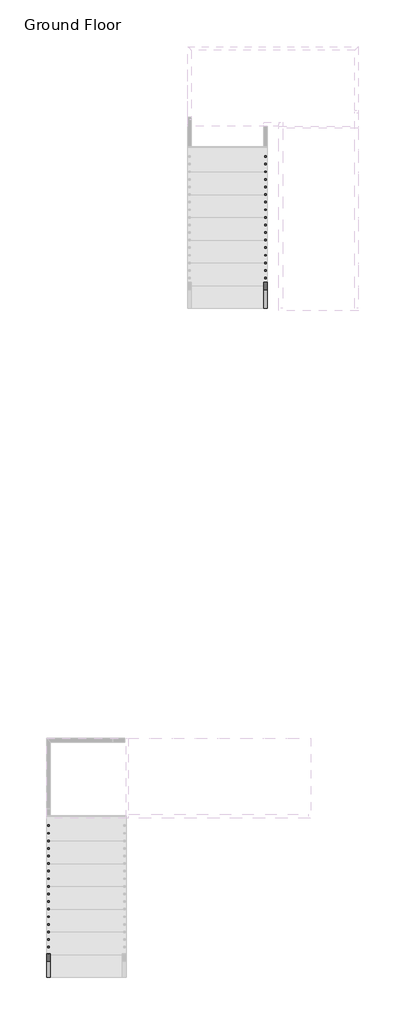
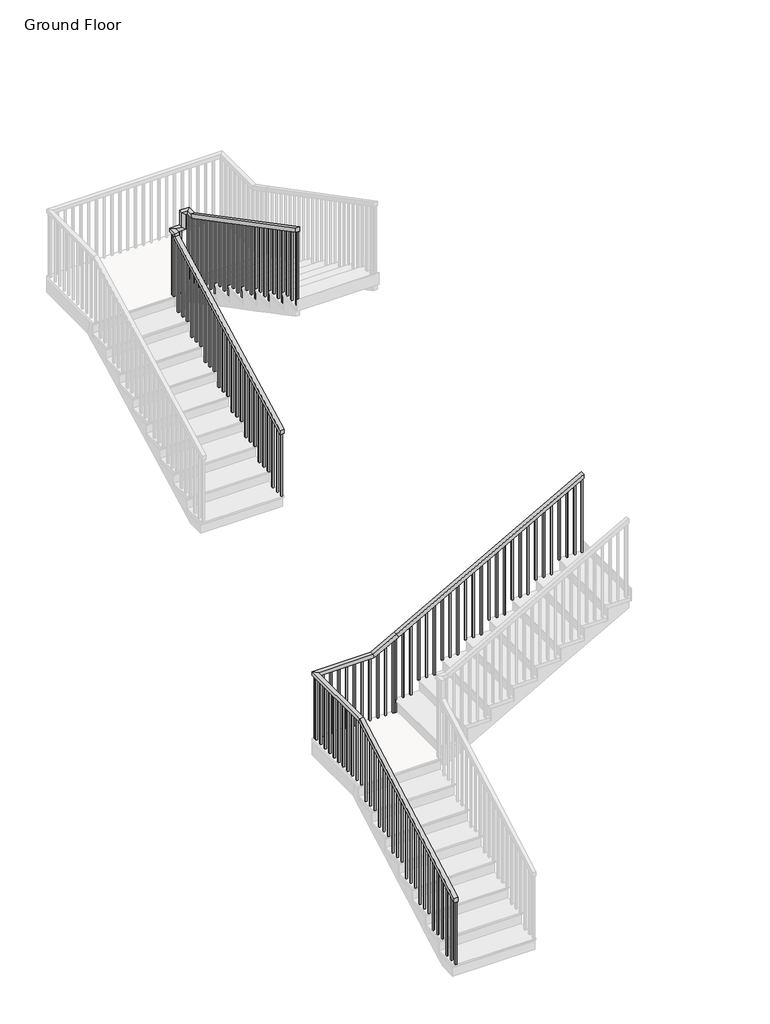
# One storey, part 3 of 10: 2 railings.
"""IFC4 building model written with IfcOpenShell, lengths in millimetres."""

import ifcopenshell
import ifcopenshell.guid

model = None  # the IFC model being written
_history = None  # IfcOwnerHistory: only IFC2X3 demands one
_inside = {}  # id of a spatial element -> (the spatial element, [elements in it])
_under = {}  # id of a project, library or spatial element -> (it, [spatial elements below it])
_declared = {}  # id of a project -> (the project, [libraries it declares])
_typed = {}  # id of a type object -> (the type object, [elements of that type])
_made_of = {}  # id of a material, layer set ... -> (it, [elements and type objects made of it])


def new_model(schema):
    """Start an empty IFC model of exactly this schema.

    Asked for "IFC4X3", IfcOpenShell would pick the latest addendum, in which some entities
    have other attributes; the version numbers below select the first issue.
    IFC2X3 requires an IfcOwnerHistory on every rooted entity: one is made here for all.
    """
    global model, _history
    if schema == "IFC4X3":
        model = ifcopenshell.file(schema_version=(4, 3, 0, 0))
    else:
        model = ifcopenshell.file(schema=schema)
    _inside.clear()
    _under.clear()
    _declared.clear()
    _typed.clear()
    _made_of.clear()
    _history = None
    if model.schema == "IFC2X3":
        org = make("IfcOrganization", Name="unknown")
        user = make(
            "IfcPersonAndOrganization",
            ThePerson=make("IfcPerson", FamilyName="unknown"),
            TheOrganization=org,
        )
        app = make(
            "IfcApplication",
            ApplicationDeveloper=org,
            Version="unknown",
            ApplicationFullName="unknown",
            ApplicationIdentifier="unknown",
        )
        _history = make(
            "IfcOwnerHistory",
            OwningUser=user,
            OwningApplication=app,
            ChangeAction="ADDED",
            CreationDate=0,
        )
    return model


def make(cls, **values):
    """One entity of the class cls with the attributes given. An attribute that is None is left unset."""
    return model.create_entity(
        cls, **{name: value for name, value in values.items() if value is not None}
    )


def rooted(cls, **values):
    """An entity with a GlobalId (a new one), such as an element, a storey or a relation."""
    return make(cls, GlobalId=ifcopenshell.guid.new(), OwnerHistory=_history, **values)


def si_unit(unit_type, name, prefix=None):
    """IfcSIUnit, for example si_unit("LENGTHUNIT", "METRE", prefix="MILLI")."""
    return make("IfcSIUnit", UnitType=unit_type, Prefix=prefix, Name=name)


def assignment(units):
    """IfcUnitAssignment: the units of a project."""
    return None if units is None else make("IfcUnitAssignment", Units=units)


def point(xyz):
    """IfcCartesianPoint."""
    return None if xyz is None else make("IfcCartesianPoint", Coordinates=xyz)


def direction(xyz):
    """IfcDirection."""
    return None if xyz is None else make("IfcDirection", DirectionRatios=xyz)


def frame(location, z_axis=None, x_axis=None):
    """IfcAxis2Placement3D, a coordinate frame: its origin and axes. An axis left out is left unset."""
    return make(
        "IfcAxis2Placement3D",
        Location=point(location),
        Axis=direction(z_axis),
        RefDirection=direction(x_axis),
    )


def origin():
    """The frame at (0, 0, 0) with its axes left unset."""
    return frame((0.0, 0.0, 0.0))


def place(relative_to, where):
    """IfcLocalPlacement: puts the frame where relative to a parent placement (None: the world)."""
    return make(
        "IfcLocalPlacement", PlacementRelTo=relative_to, RelativePlacement=where
    )


def context(
    kind, dimensions, precision=None, world=None, true_north=None, identifier=None
):
    """IfcGeometricRepresentationContext, for example the 3D "Model" context."""
    return make(
        "IfcGeometricRepresentationContext",
        ContextIdentifier=identifier,
        ContextType=kind,
        CoordinateSpaceDimension=dimensions,
        Precision=precision,
        WorldCoordinateSystem=world,
        TrueNorth=true_north,
    )


def project(units=None, contexts=None):
    """IfcProject with its units and contexts."""
    return rooted(
        "IfcProject",
        Name="project",
        RepresentationContexts=contexts,
        UnitsInContext=assignment(units),
    )


def spatial(cls, under=None, at=None, **own):
    """A site, building, storey or space (cls), placed at a placement, below another one or the project."""
    s = rooted(cls, ObjectPlacement=at, **own)
    if under is not None:
        _under.setdefault(under.id(), (under, []))[1].append(s)
    return s


def polyline(points):
    """IfcPolyline through the points."""
    return make("IfcPolyline", Points=[point(p) for p in points])


def outline(outer, holes=None, kind="AREA"):
    """IfcArbitraryClosedProfileDef: a profile drawn as a closed curve; with holes, ...WithVoids."""
    if holes is None:
        return make("IfcArbitraryClosedProfileDef", ProfileType=kind, OuterCurve=outer)
    return make(
        "IfcArbitraryProfileDefWithVoids",
        ProfileType=kind,
        OuterCurve=outer,
        InnerCurves=holes,
    )


def extrude(swept, where, along, depth):
    """IfcExtrudedAreaSolid: the profile swept, set in the frame where, extruded along a direction by depth."""
    return make(
        "IfcExtrudedAreaSolid",
        SweptArea=swept,
        Position=where,
        ExtrudedDirection=direction(along),
        Depth=depth,
    )


def faces_of(points, faces, orient=None, outer=None):
    """IfcFace entities. A face is a list of loops; a loop is a list of indices into points, from 0.

    orient and outer hold one flag for each loop. By default every Orientation is true, the
    first loop of a face is its IfcFaceOuterBound and the others are IfcFaceBound.
    """
    made = []
    for i, loops in enumerate(faces):
        bounds = []
        for j, loop in enumerate(loops):
            is_outer = j == 0 if outer is None else outer[i][j]
            bounds.append(
                make(
                    "IfcFaceOuterBound" if is_outer else "IfcFaceBound",
                    Bound=make("IfcPolyLoop", Polygon=[points[k] for k in loop]),
                    Orientation=True if orient is None else orient[i][j],
                )
            )
        made.append(make("IfcFace", Bounds=bounds))
    return made


def faceted_brep(points, faces, orient=None, outer=None, voids=None):
    """IfcFacetedBrep: a solid bounded by flat faces; with voids (closed shells), ...WithVoids."""
    shared = [point(p) for p in points]
    hull = make("IfcClosedShell", CfsFaces=faces_of(shared, faces, orient, outer))
    if voids is None:
        return make("IfcFacetedBrep", Outer=hull)
    return make(
        "IfcFacetedBrepWithVoids",
        Outer=hull,
        Voids=[
            make(cls, CfsFaces=faces_of(shared, fs, o, b)) for cls, fs, o, b in voids
        ],
    )


def shape(context_of_items, identifier, shape_type, items):
    """IfcShapeRepresentation: the items that make up one representation, for example the "Body"."""
    return make(
        "IfcShapeRepresentation",
        ContextOfItems=context_of_items,
        RepresentationIdentifier=identifier,
        RepresentationType=shape_type,
        Items=items,
    )


def made_of(thing, what):
    """Note that an element or type object is made of a material, layer set ...; save() writes the relation."""
    if what is not None:
        _made_of.setdefault(what.id(), (what, []))[1].append(thing)
    return thing


def element(
    cls,
    number,
    at=None,
    inside=None,
    cuts=None,
    type_object=None,
    material=None,
    context=None,
    identifier="Body",
    shape_type=None,
    held_by="IfcProductDefinitionShape",
    body=None,
    shapes=None,
    **own,
):
    """One element of the class cls, such as IfcWall. Its Tag is "e" and its number.

    at: its placement. inside: the storey or other place that contains it. cuts: it is an
    opening in that element (IfcRelVoidsElement). A single representation is given by context,
    identifier, shape_type and body (its items); several are given by shapes. held_by: the class
    of the entity that holds the representations. save() writes the other relations.
    """
    e = rooted(cls, Tag="e%d" % number, ObjectPlacement=at, **own)
    if body is not None:
        shapes = [shape(context, identifier, shape_type, body)]
    if shapes is not None:
        e.Representation = make(held_by, Representations=shapes)
    if inside is not None:
        _inside.setdefault(inside.id(), (inside, []))[1].append(e)
    if cuts is not None:
        rooted(
            "IfcRelVoidsElement", RelatingBuildingElement=cuts, RelatedOpeningElement=e
        )
    if type_object is not None:
        _typed.setdefault(type_object.id(), (type_object, []))[1].append(e)
    return made_of(e, material)


def aggregate(whole, parts):
    """IfcRelAggregates: a whole, such as a stair, and the parts it consists of."""
    return rooted("IfcRelAggregates", RelatingObject=whole, RelatedObjects=parts)


def save(model, path):
    """Write the relations noted so far, then the file.

    IfcRelAggregates (storeys below a building ...), IfcRelContainedInSpatialStructure (elements
    in a storey), IfcRelDefinesByType, IfcRelAssociatesMaterial and IfcRelDeclares: one each for
    every whole, place, type object, material and project.
    """
    for whole, parts in _under.values():
        aggregate(whole, parts)
    for where, things in _inside.values():
        rooted(
            "IfcRelContainedInSpatialStructure",
            RelatedElements=things,
            RelatingStructure=where,
        )
    for kind, things in _typed.values():
        rooted("IfcRelDefinesByType", RelatedObjects=things, RelatingType=kind)
    for what, things in _made_of.values():
        rooted("IfcRelAssociatesMaterial", RelatedObjects=things, RelatingMaterial=what)
    for by, libraries in _declared.values():
        rooted("IfcRelDeclares", RelatingContext=by, RelatedDefinitions=libraries)
    model.write(path)


model = new_model("IFC4")

# Units and contexts
model_context = context("Model", 3, world=origin())
ifc_project = project(units=[si_unit("LENGTHUNIT", "METRE", prefix="MILLI")], contexts=[model_context])

# Site, building, storey
site = spatial("IfcSite", under=ifc_project)
building = spatial("IfcBuilding", under=site)
storey = spatial("IfcBuildingStorey", under=building, Name="Ground Floor", Elevation=0.0)

# Railings
placement = place(None, origin())
element("IfcRailing", 1, ObjectType="Handrail - Rectangular", at=placement, inside=storey, context=model_context, shape_type="SolidModel", body=[
    faceted_brep([(28488.8368532, -16252.694512, 1083.2352941), (28488.8368532, -16252.694512, 1025.162448), (28539.6368532, -16252.694512, 1025.162448), (28539.6368532, -16252.694512, 1083.2352941), (28488.8368532, -14119.094512, 2265.0823529), (28488.8368532, -14105.964772, 2214.2823529), (28539.6368532, -14105.964772, 2214.2823529), (28539.6368532, -14119.094512, 2265.0823529), (28488.8368532, -13052.294512, 2265.0823529), (28488.8368532, -13052.294512, 2214.2823529), (28539.6368532, -13103.094512, 2214.2823529), (28539.6368532, -13103.094512, 2265.0823529), (29250.8368532, -13052.294512, 2265.0823529), (29263.9665931, -13052.294512, 2214.2823529), (29263.9665931, -13103.094512, 2214.2823529), (29250.8368532, -13103.094512, 2265.0823529), (29555.6368532, -13052.294512, 2433.9176471), (29580.252009, -13052.294512, 2389.4796666), (29580.252009, -13103.094512, 2389.4796666), (29555.6368532, -13103.094512, 2433.9176471), (31994.0368532, -13052.294512, 3784.6), (31994.0368532, -13103.094512, 3784.6), (31994.0368532, -13103.094512, 3726.5271539), (31994.0368532, -13052.294512, 3726.5271539)], [[[0, 1, 2, 3]], [[1, 0, 4, 5]], [[2, 1, 5, 6]], [[3, 2, 6, 7]], [[0, 3, 7, 4]], [[5, 4, 8, 9]], [[6, 5, 9, 10]], [[7, 6, 10, 11]], [[4, 7, 11, 8]], [[9, 8, 12, 13]], [[10, 9, 13, 14]], [[11, 10, 14, 15]], [[8, 11, 15, 12]], [[13, 12, 16, 17]], [[14, 13, 17, 18]], [[15, 14, 18, 19]], [[12, 15, 19, 16]], [[20, 21, 22, 23]], [[17, 16, 20, 23]], [[18, 17, 23, 22]], [[19, 18, 22, 21]], [[16, 19, 21, 20]]]),
    extrude(outline(polyline([(3664.9726195, 31882.9118532), (2701.3647059, 31882.9118532), (2701.3647059, 31901.9618532), (3675.5248254, 31901.9618532), (3664.9726195, 31882.9118532)])), frame((0.0, -13087.219512, 0.0), z_axis=(0.0, 1.0, 0.0), x_axis=(0.0, 0.0, 1.0)), (0.0, 0.0, 1.0), 19.05),
    extrude(outline(polyline([(3608.6941882, 31781.3118532), (2701.3647059, 31781.3118532), (2701.3647059, 31800.3618532), (3619.2463941, 31800.3618532), (3608.6941882, 31781.3118532)])), frame((0.0, -13087.219512, 0.0), z_axis=(0.0, 1.0, 0.0), x_axis=(0.0, 0.0, 1.0)), (0.0, 0.0, 1.0), 19.05),
    extrude(outline(polyline([(3552.4157568, 31679.7118532), (2701.3647059, 31679.7118532), (2701.3647059, 31698.7618532), (3562.9679627, 31698.7618532), (3552.4157568, 31679.7118532)])), frame((0.0, -13087.219512, 0.0), z_axis=(0.0, 1.0, 0.0), x_axis=(0.0, 0.0, 1.0)), (0.0, 0.0, 1.0), 19.05),
    extrude(outline(polyline([(3496.1373254, 31578.1118532), (2532.5294118, 31578.1118532), (2532.5294118, 31597.1618532), (3506.6895313, 31597.1618532), (3496.1373254, 31578.1118532)])), frame((0.0, -13087.219512, 0.0), z_axis=(0.0, 1.0, 0.0), x_axis=(0.0, 0.0, 1.0)), (0.0, 0.0, 1.0), 19.05),
    extrude(outline(polyline([(3439.8588941, 31476.5118532), (2532.5294118, 31476.5118532), (2532.5294118, 31495.5618532), (3450.4110999, 31495.5618532), (3439.8588941, 31476.5118532)])), frame((0.0, -13087.219512, 0.0), z_axis=(0.0, 1.0, 0.0), x_axis=(0.0, 0.0, 1.0)), (0.0, 0.0, 1.0), 19.05),
    extrude(outline(polyline([(3383.5804627, 31374.9118532), (2532.5294118, 31374.9118532), (2532.5294118, 31393.9618532), (3394.1326686, 31393.9618532), (3383.5804627, 31374.9118532)])), frame((0.0, -13087.219512, 0.0), z_axis=(0.0, 1.0, 0.0), x_axis=(0.0, 0.0, 1.0)), (0.0, 0.0, 1.0), 19.05),
    extrude(outline(polyline([(3327.3020313, 31273.3118532), (2363.6941176, 31273.3118532), (2363.6941176, 31292.3618532), (3337.8542372, 31292.3618532), (3327.3020313, 31273.3118532)])), frame((0.0, -13087.219512, 0.0), z_axis=(0.0, 1.0, 0.0), x_axis=(0.0, 0.0, 1.0)), (0.0, 0.0, 1.0), 19.05),
    extrude(outline(polyline([(3271.0235999, 31171.7118532), (2363.6941176, 31171.7118532), (2363.6941176, 31190.7618532), (3281.5758058, 31190.7618532), (3271.0235999, 31171.7118532)])), frame((0.0, -13087.219512, 0.0), z_axis=(0.0, 1.0, 0.0), x_axis=(0.0, 0.0, 1.0)), (0.0, 0.0, 1.0), 19.05),
    extrude(outline(polyline([(3214.7451686, 31070.1118532), (2363.6941176, 31070.1118532), (2363.6941176, 31089.1618532), (3225.2973744, 31089.1618532), (3214.7451686, 31070.1118532)])), frame((0.0, -13087.219512, 0.0), z_axis=(0.0, 1.0, 0.0), x_axis=(0.0, 0.0, 1.0)), (0.0, 0.0, 1.0), 19.05),
    extrude(outline(polyline([(3158.4667372, 30968.5118532), (2194.8588235, 30968.5118532), (2194.8588235, 30987.5618532), (3169.0189431, 30987.5618532), (3158.4667372, 30968.5118532)])), frame((0.0, -13087.219512, 0.0), z_axis=(0.0, 1.0, 0.0), x_axis=(0.0, 0.0, 1.0)), (0.0, 0.0, 1.0), 19.05),
    extrude(outline(polyline([(3102.1883058, 30866.9118532), (2194.8588235, 30866.9118532), (2194.8588235, 30885.9618532), (3112.7405117, 30885.9618532), (3102.1883058, 30866.9118532)])), frame((0.0, -13087.219512, 0.0), z_axis=(0.0, 1.0, 0.0), x_axis=(0.0, 0.0, 1.0)), (0.0, 0.0, 1.0), 19.05),
    extrude(outline(polyline([(3045.9098744, 30765.3118532), (2194.8588235, 30765.3118532), (2194.8588235, 30784.3618532), (3056.4620803, 30784.3618532), (3045.9098744, 30765.3118532)])), frame((0.0, -13087.219512, 0.0), z_axis=(0.0, 1.0, 0.0), x_axis=(0.0, 0.0, 1.0)), (0.0, 0.0, 1.0), 19.05),
    extrude(outline(polyline([(2989.6314431, 30663.7118532), (2026.0235294, 30663.7118532), (2026.0235294, 30682.7618532), (3000.183649, 30682.7618532), (2989.6314431, 30663.7118532)])), frame((0.0, -13087.219512, 0.0), z_axis=(0.0, 1.0, 0.0), x_axis=(0.0, 0.0, 1.0)), (0.0, 0.0, 1.0), 19.05),
    extrude(outline(polyline([(2933.3530117, 30562.1118532), (2026.0235294, 30562.1118532), (2026.0235294, 30581.1618532), (2943.9052176, 30581.1618532), (2933.3530117, 30562.1118532)])), frame((0.0, -13087.219512, 0.0), z_axis=(0.0, 1.0, 0.0), x_axis=(0.0, 0.0, 1.0)), (0.0, 0.0, 1.0), 19.05),
    extrude(outline(polyline([(2877.0745803, 30460.5118532), (2026.0235294, 30460.5118532), (2026.0235294, 30479.5618532), (2887.6267862, 30479.5618532), (2877.0745803, 30460.5118532)])), frame((0.0, -13087.219512, 0.0), z_axis=(0.0, 1.0, 0.0), x_axis=(0.0, 0.0, 1.0)), (0.0, 0.0, 1.0), 19.05),
    extrude(outline(polyline([(2820.796149, 30358.9118532), (1857.1882353, 30358.9118532), (1857.1882353, 30377.9618532), (2831.3483548, 30377.9618532), (2820.796149, 30358.9118532)])), frame((0.0, -13087.219512, 0.0), z_axis=(0.0, 1.0, 0.0), x_axis=(0.0, 0.0, 1.0)), (0.0, 0.0, 1.0), 19.05),
    extrude(outline(polyline([(2764.5177176, 30257.3118532), (1857.1882353, 30257.3118532), (1857.1882353, 30276.3618532), (2775.0699235, 30276.3618532), (2764.5177176, 30257.3118532)])), frame((0.0, -13087.219512, 0.0), z_axis=(0.0, 1.0, 0.0), x_axis=(0.0, 0.0, 1.0)), (0.0, 0.0, 1.0), 19.05),
    extrude(outline(polyline([(2708.2392862, 30155.7118532), (1857.1882353, 30155.7118532), (1857.1882353, 30174.7618532), (2718.7914921, 30174.7618532), (2708.2392862, 30155.7118532)])), frame((0.0, -13087.219512, 0.0), z_axis=(0.0, 1.0, 0.0), x_axis=(0.0, 0.0, 1.0)), (0.0, 0.0, 1.0), 19.05),
    extrude(outline(polyline([(2651.9608548, 30054.1118532), (1688.3529412, 30054.1118532), (1688.3529412, 30073.1618532), (2662.5130607, 30073.1618532), (2651.9608548, 30054.1118532)])), frame((0.0, -13087.219512, 0.0), z_axis=(0.0, 1.0, 0.0), x_axis=(0.0, 0.0, 1.0)), (0.0, 0.0, 1.0), 19.05),
    extrude(outline(polyline([(2595.6824235, 29952.5118532), (1688.3529412, 29952.5118532), (1688.3529412, 29971.5618532), (2606.2346293, 29971.5618532), (2595.6824235, 29952.5118532)])), frame((0.0, -13087.219512, 0.0), z_axis=(0.0, 1.0, 0.0), x_axis=(0.0, 0.0, 1.0)), (0.0, 0.0, 1.0), 19.05),
    extrude(outline(polyline([(2539.4039921, 29850.9118532), (1688.3529412, 29850.9118532), (1688.3529412, 29869.9618532), (2549.956198, 29869.9618532), (2539.4039921, 29850.9118532)])), frame((0.0, -13087.219512, 0.0), z_axis=(0.0, 1.0, 0.0), x_axis=(0.0, 0.0, 1.0)), (0.0, 0.0, 1.0), 19.05),
    extrude(outline(polyline([(2483.1255607, 29749.3118532), (1519.5176471, 29749.3118532), (1519.5176471, 29768.3618532), (2493.6777666, 29768.3618532), (2483.1255607, 29749.3118532)])), frame((0.0, -13087.219512, 0.0), z_axis=(0.0, 1.0, 0.0), x_axis=(0.0, 0.0, 1.0)), (0.0, 0.0, 1.0), 19.05),
    extrude(outline(polyline([(2426.8471293, 29647.7118532), (1519.5176471, 29647.7118532), (1519.5176471, 29666.7618532), (2437.3993352, 29666.7618532), (2426.8471293, 29647.7118532)])), frame((0.0, -13087.219512, 0.0), z_axis=(0.0, 1.0, 0.0), x_axis=(0.0, 0.0, 1.0)), (0.0, 0.0, 1.0), 19.05),
    extrude(outline(polyline([(2356.4990901, 29520.7118532), (1350.6823529, 29520.7118532), (1350.6823529, 29539.7618532), (2367.051296, 29539.7618532), (2356.4990901, 29520.7118532)])), frame((0.0, -13087.219512, 0.0), z_axis=(0.0, 1.0, 0.0), x_axis=(0.0, 0.0, 1.0)), (0.0, 0.0, 1.0), 19.05),
    extrude(outline(polyline([(2300.2206588, 29419.1118532), (1350.6823529, 29419.1118532), (1350.6823529, 29438.1618532), (2310.7728646, 29438.1618532), (2300.2206588, 29419.1118532)])), frame((0.0, -13087.219512, 0.0), z_axis=(0.0, 1.0, 0.0), x_axis=(0.0, 0.0, 1.0)), (0.0, 0.0, 1.0), 19.05),
    extrude(outline(polyline([(2243.9422274, 29317.5118532), (1350.6823529, 29317.5118532), (1350.6823529, 29336.5618532), (2254.4944333, 29336.5618532), (2243.9422274, 29317.5118532)])), frame((0.0, -13087.219512, 0.0), z_axis=(0.0, 1.0, 0.0), x_axis=(0.0, 0.0, 1.0)), (0.0, 0.0, 1.0), 19.05),
    extrude(outline(polyline([(29215.9118532, -13068.169512), (29234.9618532, -13068.169512), (29234.9618532, -13087.219512), (29215.9118532, -13087.219512), (29215.9118532, -13068.169512)])), frame((0.0, 0.0, 1350.6823529), z_axis=(0.0, 0.0, 1.0), x_axis=(1.0, 0.0, 0.0)), (0.0, 0.0, 1.0), 863.6),
    extrude(outline(polyline([(29114.3118532, -13068.169512), (29133.3618532, -13068.169512), (29133.3618532, -13087.219512), (29114.3118532, -13087.219512), (29114.3118532, -13068.169512)])), frame((0.0, 0.0, 1350.6823529), z_axis=(0.0, 0.0, 1.0), x_axis=(1.0, 0.0, 0.0)), (0.0, 0.0, 1.0), 863.6),
    extrude(outline(polyline([(29012.7118532, -13068.169512), (29031.7618532, -13068.169512), (29031.7618532, -13087.219512), (29012.7118532, -13087.219512), (29012.7118532, -13068.169512)])), frame((0.0, 0.0, 1350.6823529), z_axis=(0.0, 0.0, 1.0), x_axis=(1.0, 0.0, 0.0)), (0.0, 0.0, 1.0), 863.6),
    extrude(outline(polyline([(28911.1118532, -13068.169512), (28930.1618532, -13068.169512), (28930.1618532, -13087.219512), (28911.1118532, -13087.219512), (28911.1118532, -13068.169512)])), frame((0.0, 0.0, 1350.6823529), z_axis=(0.0, 0.0, 1.0), x_axis=(1.0, 0.0, 0.0)), (0.0, 0.0, 1.0), 863.6),
    extrude(outline(polyline([(28809.5118532, -13068.169512), (28828.5618532, -13068.169512), (28828.5618532, -13087.219512), (28809.5118532, -13087.219512), (28809.5118532, -13068.169512)])), frame((0.0, 0.0, 1350.6823529), z_axis=(0.0, 0.0, 1.0), x_axis=(1.0, 0.0, 0.0)), (0.0, 0.0, 1.0), 863.6),
    extrude(outline(polyline([(28707.9118532, -13068.169512), (28726.9618532, -13068.169512), (28726.9618532, -13087.219512), (28707.9118532, -13087.219512), (28707.9118532, -13068.169512)])), frame((0.0, 0.0, 1350.6823529), z_axis=(0.0, 0.0, 1.0), x_axis=(1.0, 0.0, 0.0)), (0.0, 0.0, 1.0), 863.6),
    extrude(outline(polyline([(28606.3118532, -13068.169512), (28625.3618532, -13068.169512), (28625.3618532, -13087.219512), (28606.3118532, -13087.219512), (28606.3118532, -13068.169512)])), frame((0.0, 0.0, 1350.6823529), z_axis=(0.0, 0.0, 1.0), x_axis=(1.0, 0.0, 0.0)), (0.0, 0.0, 1.0), 863.6),
    extrude(outline(polyline([(28504.7118532, -13112.619512), (28504.7118532, -13093.569512), (28523.7618532, -13093.569512), (28523.7618532, -13112.619512), (28504.7118532, -13112.619512)])), frame((0.0, 0.0, 1350.6823529), z_axis=(0.0, 0.0, 1.0), x_axis=(1.0, 0.0, 0.0)), (0.0, 0.0, 1.0), 863.6),
    extrude(outline(polyline([(28504.7118532, -13214.219512), (28504.7118532, -13195.169512), (28523.7618532, -13195.169512), (28523.7618532, -13214.219512), (28504.7118532, -13214.219512)])), frame((0.0, 0.0, 1350.6823529), z_axis=(0.0, 0.0, 1.0), x_axis=(1.0, 0.0, 0.0)), (0.0, 0.0, 1.0), 863.6),
    extrude(outline(polyline([(28504.7118532, -13315.819512), (28504.7118532, -13296.769512), (28523.7618532, -13296.769512), (28523.7618532, -13315.819512), (28504.7118532, -13315.819512)])), frame((0.0, 0.0, 1350.6823529), z_axis=(0.0, 0.0, 1.0), x_axis=(1.0, 0.0, 0.0)), (0.0, 0.0, 1.0), 863.6),
    extrude(outline(polyline([(28504.7118532, -13417.419512), (28504.7118532, -13398.369512), (28523.7618532, -13398.369512), (28523.7618532, -13417.419512), (28504.7118532, -13417.419512)])), frame((0.0, 0.0, 1350.6823529), z_axis=(0.0, 0.0, 1.0), x_axis=(1.0, 0.0, 0.0)), (0.0, 0.0, 1.0), 863.6),
    extrude(outline(polyline([(28504.7118532, -13519.019512), (28504.7118532, -13499.969512), (28523.7618532, -13499.969512), (28523.7618532, -13519.019512), (28504.7118532, -13519.019512)])), frame((0.0, 0.0, 1350.6823529), z_axis=(0.0, 0.0, 1.0), x_axis=(1.0, 0.0, 0.0)), (0.0, 0.0, 1.0), 863.6),
    extrude(outline(polyline([(28504.7118532, -13620.619512), (28504.7118532, -13601.569512), (28523.7618532, -13601.569512), (28523.7618532, -13620.619512), (28504.7118532, -13620.619512)])), frame((0.0, 0.0, 1350.6823529), z_axis=(0.0, 0.0, 1.0), x_axis=(1.0, 0.0, 0.0)), (0.0, 0.0, 1.0), 863.6),
    extrude(outline(polyline([(28504.7118532, -13722.219512), (28504.7118532, -13703.169512), (28523.7618532, -13703.169512), (28523.7618532, -13722.219512), (28504.7118532, -13722.219512)])), frame((0.0, 0.0, 1350.6823529), z_axis=(0.0, 0.0, 1.0), x_axis=(1.0, 0.0, 0.0)), (0.0, 0.0, 1.0), 863.6),
    extrude(outline(polyline([(28504.7118532, -13823.819512), (28504.7118532, -13804.769512), (28523.7618532, -13804.769512), (28523.7618532, -13823.819512), (28504.7118532, -13823.819512)])), frame((0.0, 0.0, 1350.6823529), z_axis=(0.0, 0.0, 1.0), x_axis=(1.0, 0.0, 0.0)), (0.0, 0.0, 1.0), 863.6),
    extrude(outline(polyline([(28504.7118532, -13925.419512), (28504.7118532, -13906.369512), (28523.7618532, -13906.369512), (28523.7618532, -13925.419512), (28504.7118532, -13925.419512)])), frame((0.0, 0.0, 1350.6823529), z_axis=(0.0, 0.0, 1.0), x_axis=(1.0, 0.0, 0.0)), (0.0, 0.0, 1.0), 863.6),
    extrude(outline(polyline([(28504.7118532, -14027.019512), (28504.7118532, -14007.969512), (28523.7618532, -14007.969512), (28523.7618532, -14027.019512), (28504.7118532, -14027.019512)])), frame((0.0, 0.0, 1350.6823529), z_axis=(0.0, 0.0, 1.0), x_axis=(1.0, 0.0, 0.0)), (0.0, 0.0, 1.0), 863.6),
    extrude(outline(polyline([(-14211.169512, 2156.0071784), (-14211.169512, 1181.8470588), (-14230.219512, 1181.8470588), (-14230.219512, 2145.4549725), (-14211.169512, 2156.0071784)])), frame((28504.7118532, 0.0, 0.0), z_axis=(1.0, 0.0, 0.0), x_axis=(0.0, 1.0, 0.0)), (0.0, 0.0, 1.0), 19.05),
    extrude(outline(polyline([(-14312.769512, 2099.728747), (-14312.769512, 1181.8470588), (-14331.819512, 1181.8470588), (-14331.819512, 2089.1765411), (-14312.769512, 2099.728747)])), frame((28504.7118532, 0.0, 0.0), z_axis=(1.0, 0.0, 0.0), x_axis=(0.0, 1.0, 0.0)), (0.0, 0.0, 1.0), 19.05),
    extrude(outline(polyline([(-14414.369512, 2043.4503156), (-14414.369512, 1181.8470588), (-14433.419512, 1181.8470588), (-14433.419512, 2032.8981097), (-14414.369512, 2043.4503156)])), frame((28504.7118532, 0.0, 0.0), z_axis=(1.0, 0.0, 0.0), x_axis=(0.0, 1.0, 0.0)), (0.0, 0.0, 1.0), 19.05),
    extrude(outline(polyline([(-14515.969512, 1987.1718842), (-14515.969512, 1013.0117647), (-14535.019512, 1013.0117647), (-14535.019512, 1976.6196784), (-14515.969512, 1987.1718842)])), frame((28504.7118532, 0.0, 0.0), z_axis=(1.0, 0.0, 0.0), x_axis=(0.0, 1.0, 0.0)), (0.0, 0.0, 1.0), 19.05),
    extrude(outline(polyline([(-14617.569512, 1930.8934529), (-14617.569512, 1013.0117647), (-14636.619512, 1013.0117647), (-14636.619512, 1920.341247), (-14617.569512, 1930.8934529)])), frame((28504.7118532, 0.0, 0.0), z_axis=(1.0, 0.0, 0.0), x_axis=(0.0, 1.0, 0.0)), (0.0, 0.0, 1.0), 19.05),
    extrude(outline(polyline([(-14719.169512, 1874.6150215), (-14719.169512, 1013.0117647), (-14738.219512, 1013.0117647), (-14738.219512, 1864.0628156), (-14719.169512, 1874.6150215)])), frame((28504.7118532, 0.0, 0.0), z_axis=(1.0, 0.0, 0.0), x_axis=(0.0, 1.0, 0.0)), (0.0, 0.0, 1.0), 19.05),
    extrude(outline(polyline([(-14820.769512, 1818.3365901), (-14820.769512, 844.1764706), (-14839.819512, 844.1764706), (-14839.819512, 1807.7843842), (-14820.769512, 1818.3365901)])), frame((28504.7118532, 0.0, 0.0), z_axis=(1.0, 0.0, 0.0), x_axis=(0.0, 1.0, 0.0)), (0.0, 0.0, 1.0), 19.05),
    extrude(outline(polyline([(-14922.369512, 1762.0581588), (-14922.369512, 844.1764706), (-14941.419512, 844.1764706), (-14941.419512, 1751.5059529), (-14922.369512, 1762.0581588)])), frame((28504.7118532, 0.0, 0.0), z_axis=(1.0, 0.0, 0.0), x_axis=(0.0, 1.0, 0.0)), (0.0, 0.0, 1.0), 19.05),
    extrude(outline(polyline([(-15023.969512, 1705.7797274), (-15023.969512, 844.1764706), (-15043.019512, 844.1764706), (-15043.019512, 1695.2275215), (-15023.969512, 1705.7797274)])), frame((28504.7118532, 0.0, 0.0), z_axis=(1.0, 0.0, 0.0), x_axis=(0.0, 1.0, 0.0)), (0.0, 0.0, 1.0), 19.05),
    extrude(outline(polyline([(-15125.569512, 1649.501296), (-15125.569512, 675.3411765), (-15144.619512, 675.3411765), (-15144.619512, 1638.9490901), (-15125.569512, 1649.501296)])), frame((28504.7118532, 0.0, 0.0), z_axis=(1.0, 0.0, 0.0), x_axis=(0.0, 1.0, 0.0)), (0.0, 0.0, 1.0), 19.05),
    extrude(outline(polyline([(-15227.169512, 1593.2228646), (-15227.169512, 675.3411765), (-15246.219512, 675.3411765), (-15246.219512, 1582.6706588), (-15227.169512, 1593.2228646)])), frame((28504.7118532, 0.0, 0.0), z_axis=(1.0, 0.0, 0.0), x_axis=(0.0, 1.0, 0.0)), (0.0, 0.0, 1.0), 19.05),
    extrude(outline(polyline([(-15328.769512, 1536.9444333), (-15328.769512, 675.3411765), (-15347.819512, 675.3411765), (-15347.819512, 1526.3922274), (-15328.769512, 1536.9444333)])), frame((28504.7118532, 0.0, 0.0), z_axis=(1.0, 0.0, 0.0), x_axis=(0.0, 1.0, 0.0)), (0.0, 0.0, 1.0), 19.05),
    extrude(outline(polyline([(-15430.369512, 1480.6660019), (-15430.369512, 506.5058824), (-15449.419512, 506.5058824), (-15449.419512, 1470.113796), (-15430.369512, 1480.6660019)])), frame((28504.7118532, 0.0, 0.0), z_axis=(1.0, 0.0, 0.0), x_axis=(0.0, 1.0, 0.0)), (0.0, 0.0, 1.0), 19.05),
    extrude(outline(polyline([(-15531.969512, 1424.3875705), (-15531.969512, 506.5058824), (-15551.019512, 506.5058824), (-15551.019512, 1413.8353646), (-15531.969512, 1424.3875705)])), frame((28504.7118532, 0.0, 0.0), z_axis=(1.0, 0.0, 0.0), x_axis=(0.0, 1.0, 0.0)), (0.0, 0.0, 1.0), 19.05),
    extrude(outline(polyline([(-15633.569512, 1368.1091391), (-15633.569512, 506.5058824), (-15652.619512, 506.5058824), (-15652.619512, 1357.5569333), (-15633.569512, 1368.1091391)])), frame((28504.7118532, 0.0, 0.0), z_axis=(1.0, 0.0, 0.0), x_axis=(0.0, 1.0, 0.0)), (0.0, 0.0, 1.0), 19.05),
    extrude(outline(polyline([(-15735.169512, 1311.8307078), (-15735.169512, 337.6705882), (-15754.219512, 337.6705882), (-15754.219512, 1301.2785019), (-15735.169512, 1311.8307078)])), frame((28504.7118532, 0.0, 0.0), z_axis=(1.0, 0.0, 0.0), x_axis=(0.0, 1.0, 0.0)), (0.0, 0.0, 1.0), 19.05),
    extrude(outline(polyline([(-15836.769512, 1255.5522764), (-15836.769512, 337.6705882), (-15855.819512, 337.6705882), (-15855.819512, 1245.0000705), (-15836.769512, 1255.5522764)])), frame((28504.7118532, 0.0, 0.0), z_axis=(1.0, 0.0, 0.0), x_axis=(0.0, 1.0, 0.0)), (0.0, 0.0, 1.0), 19.05),
    extrude(outline(polyline([(-15938.369512, 1199.273845), (-15938.369512, 337.6705882), (-15957.419512, 337.6705882), (-15957.419512, 1188.7216391), (-15938.369512, 1199.273845)])), frame((28504.7118532, 0.0, 0.0), z_axis=(1.0, 0.0, 0.0), x_axis=(0.0, 1.0, 0.0)), (0.0, 0.0, 1.0), 19.05),
    extrude(outline(polyline([(-16039.969512, 1142.9954137), (-16039.969512, 168.8352941), (-16059.019512, 168.8352941), (-16059.019512, 1132.4432078), (-16039.969512, 1142.9954137)])), frame((28504.7118532, 0.0, 0.0), z_axis=(1.0, 0.0, 0.0), x_axis=(0.0, 1.0, 0.0)), (0.0, 0.0, 1.0), 19.05),
    extrude(outline(polyline([(-16141.569512, 1086.7169823), (-16141.569512, 168.8352941), (-16160.619512, 168.8352941), (-16160.619512, 1076.1647764), (-16141.569512, 1086.7169823)])), frame((28504.7118532, 0.0, 0.0), z_axis=(1.0, 0.0, 0.0), x_axis=(0.0, 1.0, 0.0)), (0.0, 0.0, 1.0), 19.05),
    extrude(outline(polyline([(2370.568698, 29546.1118532), (1350.6823529, 29546.1118532), (1350.6823529, 29565.1618532), (2381.1209039, 29565.1618532), (2370.568698, 29546.1118532)])), frame((0.0, -13087.219512, 0.0), z_axis=(0.0, 1.0, 0.0), x_axis=(0.0, 0.0, 1.0)), (0.0, 0.0, 1.0), 19.05),
    extrude(outline(polyline([(28504.7118532, -13087.219512), (28504.7118532, -13068.169512), (28523.7618532, -13068.169512), (28523.7618532, -13087.219512), (28504.7118532, -13087.219512)])), frame((0.0, 0.0, 1350.6823529), z_axis=(0.0, 0.0, 1.0), x_axis=(1.0, 0.0, 0.0)), (0.0, 0.0, 1.0), 863.6),
    extrude(outline(polyline([(-14109.569512, 2212.2856097), (-14109.569512, 1350.6823529), (-14128.619512, 1350.6823529), (-14128.619512, 2201.7334039), (-14109.569512, 2212.2856097)])), frame((28504.7118532, 0.0, 0.0), z_axis=(1.0, 0.0, 0.0), x_axis=(0.0, 1.0, 0.0)), (0.0, 0.0, 1.0), 19.05),
    extrude(outline(polyline([(3715.974948, 31974.9868532), (2701.3647059, 31974.9868532), (2701.3647059, 31994.0368532), (3726.5271539, 31994.0368532), (3715.974948, 31974.9868532)])), frame((0.0, -13087.219512, 0.0), z_axis=(0.0, 1.0, 0.0), x_axis=(0.0, 0.0, 1.0)), (0.0, 0.0, 1.0), 19.05),
    extrude(outline(polyline([(-16233.644512, 1035.7146539), (-16233.644512, 168.8352941), (-16252.694512, 168.8352941), (-16252.694512, 1025.162448), (-16233.644512, 1035.7146539)])), frame((28504.7118532, 0.0, 0.0), z_axis=(1.0, 0.0, 0.0), x_axis=(0.0, 1.0, 0.0)), (0.0, 0.0, 1.0), 19.05),
])
element("IfcRailing", 2, ObjectType="Handrail - Rectangular", at=placement, inside=storey, context=model_context, shape_type="SolidModel", body=[
    faceted_brep([(31393.7015552, -7296.5028521, 1073.8555556), (31393.7015552, -7296.5028521, 1016.5238903), (31444.5015552, -7296.5028521, 1016.5238903), (31444.5015552, -7296.5028521, 1073.8555556), (31393.7015552, -4934.3028521, 2309.6361111), (31393.7015552, -4883.5028521, 2278.8803718), (31444.5015552, -4883.5028521, 2278.8803718), (31444.5015552, -4934.3028521, 2309.6361111), (31393.7015552, -4934.3028521, 2349.5), (31393.7015552, -4883.5028521, 2298.7), (31444.5015552, -4883.5028521, 2298.7), (31444.5015552, -4934.3028521, 2349.5), (31393.7015552, -4807.3028521, 2349.5), (31393.7015552, -4807.3028521, 2298.7), (31444.5015552, -4858.1028521, 2298.7), (31444.5015552, -4858.1028521, 2349.5), (31520.7015552, -4807.3028521, 2349.5), (31571.5015552, -4807.3028521, 2298.7), (31571.5015552, -4858.1028521, 2298.7), (31520.7015552, -4858.1028521, 2349.5), (31520.7015552, -4807.3028521, 2548.8194444), (31571.5015552, -4807.3028521, 2498.0194444), (31571.5015552, -4858.1028521, 2498.0194444), (31520.7015552, -4858.1028521, 2548.8194444), (31647.7015552, -4807.3028521, 2548.8194444), (31647.7015552, -4807.3028521, 2498.0194444), (31596.9015552, -4858.1028521, 2498.0194444), (31596.9015552, -4858.1028521, 2548.8194444), (31647.7015552, -4934.3028521, 2548.8194444), (31647.7015552, -4946.7881591, 2498.0194444), (31596.9015552, -4946.7881591, 2498.0194444), (31596.9015552, -4934.3028521, 2548.8194444), (31647.7015552, -7296.5028521, 3784.6), (31596.9015552, -7296.5028521, 3784.6), (31596.9015552, -7296.5028521, 3727.2683348), (31647.7015552, -7296.5028521, 3727.2683348)], [[[0, 1, 2, 3]], [[1, 0, 4, 5]], [[2, 1, 5, 6]], [[3, 2, 6, 7]], [[0, 3, 7, 4]], [[5, 4, 8, 9]], [[6, 5, 9, 10]], [[7, 6, 10, 11]], [[4, 7, 11, 8]], [[9, 8, 12, 13]], [[10, 9, 13, 14]], [[11, 10, 14, 15]], [[8, 11, 15, 12]], [[13, 12, 16, 17]], [[14, 13, 17, 18]], [[15, 14, 18, 19]], [[12, 15, 19, 16]], [[17, 16, 20, 21]], [[18, 17, 21, 22]], [[19, 18, 22, 23]], [[16, 19, 23, 20]], [[21, 20, 24, 25]], [[22, 21, 25, 26]], [[23, 22, 26, 27]], [[20, 23, 27, 24]], [[25, 24, 28, 29]], [[26, 25, 29, 30]], [[27, 26, 30, 31]], [[24, 27, 31, 28]], [[32, 33, 34, 35]], [[29, 28, 32, 35]], [[30, 29, 35, 34]], [[31, 30, 34, 33]], [[28, 31, 33, 32]]]),
    extrude(outline(polyline([(-7280.6278521, 3718.9633579), (-7261.5778521, 3708.9973857), (-7261.5778521, 2710.7444444), (-7280.6278521, 2710.7444444), (-7280.6278521, 3718.9633579)])), frame((31612.7765552, 0.0, 0.0), z_axis=(1.0, 0.0, 0.0), x_axis=(0.0, 1.0, 0.0)), (0.0, 0.0, 1.0), 19.05),
    extrude(outline(polyline([(-7179.0278521, 3665.8115061), (-7159.9778521, 3655.8455338), (-7159.9778521, 2710.7444444), (-7179.0278521, 2710.7444444), (-7179.0278521, 3665.8115061)])), frame((31612.7765552, 0.0, 0.0), z_axis=(1.0, 0.0, 0.0), x_axis=(0.0, 1.0, 0.0)), (0.0, 0.0, 1.0), 19.05),
    extrude(outline(polyline([(-7077.4278521, 3612.6596542), (-7058.3778521, 3602.693682), (-7058.3778521, 2710.7444444), (-7077.4278521, 2710.7444444), (-7077.4278521, 3612.6596542)])), frame((31612.7765552, 0.0, 0.0), z_axis=(1.0, 0.0, 0.0), x_axis=(0.0, 1.0, 0.0)), (0.0, 0.0, 1.0), 19.05),
    extrude(outline(polyline([(-6975.8278521, 3559.5078024), (-6956.7778521, 3549.5418301), (-6956.7778521, 2551.2888889), (-6975.8278521, 2551.2888889), (-6975.8278521, 3559.5078024)])), frame((31612.7765552, 0.0, 0.0), z_axis=(1.0, 0.0, 0.0), x_axis=(0.0, 1.0, 0.0)), (0.0, 0.0, 1.0), 19.05),
    extrude(outline(polyline([(-6874.2278521, 3506.3559505), (-6855.1778521, 3496.3899783), (-6855.1778521, 2551.2888889), (-6874.2278521, 2551.2888889), (-6874.2278521, 3506.3559505)])), frame((31612.7765552, 0.0, 0.0), z_axis=(1.0, 0.0, 0.0), x_axis=(0.0, 1.0, 0.0)), (0.0, 0.0, 1.0), 19.05),
    extrude(outline(polyline([(-6772.6278521, 3453.2040987), (-6753.5778521, 3443.2381264), (-6753.5778521, 2551.2888889), (-6772.6278521, 2551.2888889), (-6772.6278521, 3453.2040987)])), frame((31612.7765552, 0.0, 0.0), z_axis=(1.0, 0.0, 0.0), x_axis=(0.0, 1.0, 0.0)), (0.0, 0.0, 1.0), 19.05),
    extrude(outline(polyline([(-6671.0278521, 3400.0522468), (-6651.9778521, 3390.0862746), (-6651.9778521, 2391.8333333), (-6671.0278521, 2391.8333333), (-6671.0278521, 3400.0522468)])), frame((31612.7765552, 0.0, 0.0), z_axis=(1.0, 0.0, 0.0), x_axis=(0.0, 1.0, 0.0)), (0.0, 0.0, 1.0), 19.05),
    extrude(outline(polyline([(-6569.4278521, 3346.9003949), (-6550.3778521, 3336.9344227), (-6550.3778521, 2391.8333333), (-6569.4278521, 2391.8333333), (-6569.4278521, 3346.9003949)])), frame((31612.7765552, 0.0, 0.0), z_axis=(1.0, 0.0, 0.0), x_axis=(0.0, 1.0, 0.0)), (0.0, 0.0, 1.0), 19.05),
    extrude(outline(polyline([(-6467.8278521, 3293.7485431), (-6448.7778521, 3283.7825709), (-6448.7778521, 2391.8333333), (-6467.8278521, 2391.8333333), (-6467.8278521, 3293.7485431)])), frame((31612.7765552, 0.0, 0.0), z_axis=(1.0, 0.0, 0.0), x_axis=(0.0, 1.0, 0.0)), (0.0, 0.0, 1.0), 19.05),
    extrude(outline(polyline([(-6366.2278521, 3240.5966912), (-6347.1778521, 3230.630719), (-6347.1778521, 2232.3777778), (-6366.2278521, 2232.3777778), (-6366.2278521, 3240.5966912)])), frame((31612.7765552, 0.0, 0.0), z_axis=(1.0, 0.0, 0.0), x_axis=(0.0, 1.0, 0.0)), (0.0, 0.0, 1.0), 19.05),
    extrude(outline(polyline([(-6264.6278521, 3187.4448394), (-6245.5778521, 3177.4788672), (-6245.5778521, 2232.3777778), (-6264.6278521, 2232.3777778), (-6264.6278521, 3187.4448394)])), frame((31612.7765552, 0.0, 0.0), z_axis=(1.0, 0.0, 0.0), x_axis=(0.0, 1.0, 0.0)), (0.0, 0.0, 1.0), 19.05),
    extrude(outline(polyline([(-6163.0278521, 3134.2929875), (-6143.9778521, 3124.3270153), (-6143.9778521, 2232.3777778), (-6163.0278521, 2232.3777778), (-6163.0278521, 3134.2929875)])), frame((31612.7765552, 0.0, 0.0), z_axis=(1.0, 0.0, 0.0), x_axis=(0.0, 1.0, 0.0)), (0.0, 0.0, 1.0), 19.05),
    extrude(outline(polyline([(-6061.4278521, 3081.1411357), (-6042.3778521, 3071.1751635), (-6042.3778521, 2072.9222222), (-6061.4278521, 2072.9222222), (-6061.4278521, 3081.1411357)])), frame((31612.7765552, 0.0, 0.0), z_axis=(1.0, 0.0, 0.0), x_axis=(0.0, 1.0, 0.0)), (0.0, 0.0, 1.0), 19.05),
    extrude(outline(polyline([(-5959.8278521, 3027.9892838), (-5940.7778521, 3018.0233116), (-5940.7778521, 2072.9222222), (-5959.8278521, 2072.9222222), (-5959.8278521, 3027.9892838)])), frame((31612.7765552, 0.0, 0.0), z_axis=(1.0, 0.0, 0.0), x_axis=(0.0, 1.0, 0.0)), (0.0, 0.0, 1.0), 19.05),
    extrude(outline(polyline([(-5858.2278521, 2974.837432), (-5839.1778521, 2964.8714598), (-5839.1778521, 2072.9222222), (-5858.2278521, 2072.9222222), (-5858.2278521, 2974.837432)])), frame((31612.7765552, 0.0, 0.0), z_axis=(1.0, 0.0, 0.0), x_axis=(0.0, 1.0, 0.0)), (0.0, 0.0, 1.0), 19.05),
    extrude(outline(polyline([(-5756.6278521, 2921.6855801), (-5737.5778521, 2911.7196079), (-5737.5778521, 1913.4666667), (-5756.6278521, 1913.4666667), (-5756.6278521, 2921.6855801)])), frame((31612.7765552, 0.0, 0.0), z_axis=(1.0, 0.0, 0.0), x_axis=(0.0, 1.0, 0.0)), (0.0, 0.0, 1.0), 19.05),
    extrude(outline(polyline([(-5655.0278521, 2868.5337283), (-5635.9778521, 2858.5677561), (-5635.9778521, 1913.4666667), (-5655.0278521, 1913.4666667), (-5655.0278521, 2868.5337283)])), frame((31612.7765552, 0.0, 0.0), z_axis=(1.0, 0.0, 0.0), x_axis=(0.0, 1.0, 0.0)), (0.0, 0.0, 1.0), 19.05),
    extrude(outline(polyline([(-5553.4278521, 2815.3818764), (-5534.3778521, 2805.4159042), (-5534.3778521, 1913.4666667), (-5553.4278521, 1913.4666667), (-5553.4278521, 2815.3818764)])), frame((31612.7765552, 0.0, 0.0), z_axis=(1.0, 0.0, 0.0), x_axis=(0.0, 1.0, 0.0)), (0.0, 0.0, 1.0), 19.05),
    extrude(outline(polyline([(-5451.8278521, 2762.2300246), (-5432.7778521, 2752.2640524), (-5432.7778521, 1754.0111111), (-5451.8278521, 1754.0111111), (-5451.8278521, 2762.2300246)])), frame((31612.7765552, 0.0, 0.0), z_axis=(1.0, 0.0, 0.0), x_axis=(0.0, 1.0, 0.0)), (0.0, 0.0, 1.0), 19.05),
    extrude(outline(polyline([(-5350.2278521, 2709.0781727), (-5331.1778521, 2699.1122005), (-5331.1778521, 1754.0111111), (-5350.2278521, 1754.0111111), (-5350.2278521, 2709.0781727)])), frame((31612.7765552, 0.0, 0.0), z_axis=(1.0, 0.0, 0.0), x_axis=(0.0, 1.0, 0.0)), (0.0, 0.0, 1.0), 19.05),
    extrude(outline(polyline([(-5248.6278521, 2655.9263209), (-5229.5778521, 2645.9603487), (-5229.5778521, 1754.0111111), (-5248.6278521, 1754.0111111), (-5248.6278521, 2655.9263209)])), frame((31612.7765552, 0.0, 0.0), z_axis=(1.0, 0.0, 0.0), x_axis=(0.0, 1.0, 0.0)), (0.0, 0.0, 1.0), 19.05),
    extrude(outline(polyline([(-5147.0278521, 2602.774469), (-5127.9778521, 2592.8084968), (-5127.9778521, 1594.5555556), (-5147.0278521, 1594.5555556), (-5147.0278521, 2602.774469)])), frame((31612.7765552, 0.0, 0.0), z_axis=(1.0, 0.0, 0.0), x_axis=(0.0, 1.0, 0.0)), (0.0, 0.0, 1.0), 19.05),
    extrude(outline(polyline([(-5045.4278521, 2549.6226172), (-5026.3778521, 2539.6566449), (-5026.3778521, 1594.5555556), (-5045.4278521, 1594.5555556), (-5045.4278521, 2549.6226172)])), frame((31612.7765552, 0.0, 0.0), z_axis=(1.0, 0.0, 0.0), x_axis=(0.0, 1.0, 0.0)), (0.0, 0.0, 1.0), 19.05),
    extrude(outline(polyline([(-4943.8278521, 2496.4707653), (-4924.7778521, 2486.5047931), (-4924.7778521, 1594.5555556), (-4943.8278521, 1594.5555556), (-4943.8278521, 2496.4707653)])), frame((31612.7765552, 0.0, 0.0), z_axis=(1.0, 0.0, 0.0), x_axis=(0.0, 1.0, 0.0)), (0.0, 0.0, 1.0), 19.05),
    extrude(outline(polyline([(31511.1765552, -4842.2278521), (31511.1765552, -4823.1778521), (31530.2265552, -4823.1778521), (31530.2265552, -4842.2278521), (31511.1765552, -4842.2278521)])), frame((0.0, 0.0, 1435.1), z_axis=(0.0, 0.0, 1.0), x_axis=(1.0, 0.0, 0.0)), (0.0, 0.0, 1.0), 863.6),
    extrude(outline(polyline([(31428.6265552, -4867.6278521), (31409.5765552, -4867.6278521), (31409.5765552, -4848.5778521), (31428.6265552, -4848.5778521), (31428.6265552, -4867.6278521)])), frame((0.0, 0.0, 1435.1), z_axis=(0.0, 0.0, 1.0), x_axis=(1.0, 0.0, 0.0)), (0.0, 0.0, 1.0), 863.6),
    extrude(outline(polyline([(-4969.2278521, 2234.0334968), (-4950.1778521, 2243.999469), (-4950.1778521, 1275.6444444), (-4969.2278521, 1275.6444444), (-4969.2278521, 2234.0334968)])), frame((31409.5765552, 0.0, 0.0), z_axis=(1.0, 0.0, 0.0), x_axis=(0.0, 1.0, 0.0)), (0.0, 0.0, 1.0), 19.05),
    extrude(outline(polyline([(-5070.8278521, 2180.8816449), (-5051.7778521, 2190.8476172), (-5051.7778521, 1275.6444444), (-5070.8278521, 1275.6444444), (-5070.8278521, 2180.8816449)])), frame((31409.5765552, 0.0, 0.0), z_axis=(1.0, 0.0, 0.0), x_axis=(0.0, 1.0, 0.0)), (0.0, 0.0, 1.0), 19.05),
    extrude(outline(polyline([(-5172.4278521, 2127.7297931), (-5153.3778521, 2137.6957653), (-5153.3778521, 1275.6444444), (-5172.4278521, 1275.6444444), (-5172.4278521, 2127.7297931)])), frame((31409.5765552, 0.0, 0.0), z_axis=(1.0, 0.0, 0.0), x_axis=(0.0, 1.0, 0.0)), (0.0, 0.0, 1.0), 19.05),
    extrude(outline(polyline([(-5274.0278521, 2074.5779412), (-5254.9778521, 2084.5439135), (-5254.9778521, 1116.1888889), (-5274.0278521, 1116.1888889), (-5274.0278521, 2074.5779412)])), frame((31409.5765552, 0.0, 0.0), z_axis=(1.0, 0.0, 0.0), x_axis=(0.0, 1.0, 0.0)), (0.0, 0.0, 1.0), 19.05),
    extrude(outline(polyline([(-5375.6278521, 2021.4260894), (-5356.5778521, 2031.3920616), (-5356.5778521, 1116.1888889), (-5375.6278521, 1116.1888889), (-5375.6278521, 2021.4260894)])), frame((31409.5765552, 0.0, 0.0), z_axis=(1.0, 0.0, 0.0), x_axis=(0.0, 1.0, 0.0)), (0.0, 0.0, 1.0), 19.05),
    extrude(outline(polyline([(-5477.2278521, 1968.2742375), (-5458.1778521, 1978.2402098), (-5458.1778521, 1116.1888889), (-5477.2278521, 1116.1888889), (-5477.2278521, 1968.2742375)])), frame((31409.5765552, 0.0, 0.0), z_axis=(1.0, 0.0, 0.0), x_axis=(0.0, 1.0, 0.0)), (0.0, 0.0, 1.0), 19.05),
    extrude(outline(polyline([(-5578.8278521, 1915.1223857), (-5559.7778521, 1925.0883579), (-5559.7778521, 956.7333333), (-5578.8278521, 956.7333333), (-5578.8278521, 1915.1223857)])), frame((31409.5765552, 0.0, 0.0), z_axis=(1.0, 0.0, 0.0), x_axis=(0.0, 1.0, 0.0)), (0.0, 0.0, 1.0), 19.05),
    extrude(outline(polyline([(-5680.4278521, 1861.9705338), (-5661.3778521, 1871.9365061), (-5661.3778521, 956.7333333), (-5680.4278521, 956.7333333), (-5680.4278521, 1861.9705338)])), frame((31409.5765552, 0.0, 0.0), z_axis=(1.0, 0.0, 0.0), x_axis=(0.0, 1.0, 0.0)), (0.0, 0.0, 1.0), 19.05),
    extrude(outline(polyline([(-5782.0278521, 1808.818682), (-5762.9778521, 1818.7846542), (-5762.9778521, 956.7333333), (-5782.0278521, 956.7333333), (-5782.0278521, 1808.818682)])), frame((31409.5765552, 0.0, 0.0), z_axis=(1.0, 0.0, 0.0), x_axis=(0.0, 1.0, 0.0)), (0.0, 0.0, 1.0), 19.05),
    extrude(outline(polyline([(-5883.6278521, 1755.6668301), (-5864.5778521, 1765.6328024), (-5864.5778521, 797.2777778), (-5883.6278521, 797.2777778), (-5883.6278521, 1755.6668301)])), frame((31409.5765552, 0.0, 0.0), z_axis=(1.0, 0.0, 0.0), x_axis=(0.0, 1.0, 0.0)), (0.0, 0.0, 1.0), 19.05),
    extrude(outline(polyline([(-5985.2278521, 1702.5149783), (-5966.1778521, 1712.4809505), (-5966.1778521, 797.2777778), (-5985.2278521, 797.2777778), (-5985.2278521, 1702.5149783)])), frame((31409.5765552, 0.0, 0.0), z_axis=(1.0, 0.0, 0.0), x_axis=(0.0, 1.0, 0.0)), (0.0, 0.0, 1.0), 19.05),
    extrude(outline(polyline([(-6086.8278521, 1649.3631264), (-6067.7778521, 1659.3290987), (-6067.7778521, 797.2777778), (-6086.8278521, 797.2777778), (-6086.8278521, 1649.3631264)])), frame((31409.5765552, 0.0, 0.0), z_axis=(1.0, 0.0, 0.0), x_axis=(0.0, 1.0, 0.0)), (0.0, 0.0, 1.0), 19.05),
    extrude(outline(polyline([(-6188.4278521, 1596.2112746), (-6169.3778521, 1606.1772468), (-6169.3778521, 637.8222222), (-6188.4278521, 637.8222222), (-6188.4278521, 1596.2112746)])), frame((31409.5765552, 0.0, 0.0), z_axis=(1.0, 0.0, 0.0), x_axis=(0.0, 1.0, 0.0)), (0.0, 0.0, 1.0), 19.05),
    extrude(outline(polyline([(-6290.0278521, 1543.0594227), (-6270.9778521, 1553.0253949), (-6270.9778521, 637.8222222), (-6290.0278521, 637.8222222), (-6290.0278521, 1543.0594227)])), frame((31409.5765552, 0.0, 0.0), z_axis=(1.0, 0.0, 0.0), x_axis=(0.0, 1.0, 0.0)), (0.0, 0.0, 1.0), 19.05),
    extrude(outline(polyline([(-6391.6278521, 1489.9075709), (-6372.5778521, 1499.8735431), (-6372.5778521, 637.8222222), (-6391.6278521, 637.8222222), (-6391.6278521, 1489.9075709)])), frame((31409.5765552, 0.0, 0.0), z_axis=(1.0, 0.0, 0.0), x_axis=(0.0, 1.0, 0.0)), (0.0, 0.0, 1.0), 19.05),
    extrude(outline(polyline([(-6493.2278521, 1436.755719), (-6474.1778521, 1446.7216912), (-6474.1778521, 478.3666667), (-6493.2278521, 478.3666667), (-6493.2278521, 1436.755719)])), frame((31409.5765552, 0.0, 0.0), z_axis=(1.0, 0.0, 0.0), x_axis=(0.0, 1.0, 0.0)), (0.0, 0.0, 1.0), 19.05),
    extrude(outline(polyline([(-6594.8278521, 1383.6038672), (-6575.7778521, 1393.5698394), (-6575.7778521, 478.3666667), (-6594.8278521, 478.3666667), (-6594.8278521, 1383.6038672)])), frame((31409.5765552, 0.0, 0.0), z_axis=(1.0, 0.0, 0.0), x_axis=(0.0, 1.0, 0.0)), (0.0, 0.0, 1.0), 19.05),
    extrude(outline(polyline([(-6696.4278521, 1330.4520153), (-6677.3778521, 1340.4179875), (-6677.3778521, 478.3666667), (-6696.4278521, 478.3666667), (-6696.4278521, 1330.4520153)])), frame((31409.5765552, 0.0, 0.0), z_axis=(1.0, 0.0, 0.0), x_axis=(0.0, 1.0, 0.0)), (0.0, 0.0, 1.0), 19.05),
    extrude(outline(polyline([(-6798.0278521, 1277.3001635), (-6778.9778521, 1287.2661357), (-6778.9778521, 318.9111111), (-6798.0278521, 318.9111111), (-6798.0278521, 1277.3001635)])), frame((31409.5765552, 0.0, 0.0), z_axis=(1.0, 0.0, 0.0), x_axis=(0.0, 1.0, 0.0)), (0.0, 0.0, 1.0), 19.05),
    extrude(outline(polyline([(-6899.6278521, 1224.1483116), (-6880.5778521, 1234.1142838), (-6880.5778521, 318.9111111), (-6899.6278521, 318.9111111), (-6899.6278521, 1224.1483116)])), frame((31409.5765552, 0.0, 0.0), z_axis=(1.0, 0.0, 0.0), x_axis=(0.0, 1.0, 0.0)), (0.0, 0.0, 1.0), 19.05),
    extrude(outline(polyline([(-7001.2278521, 1170.9964598), (-6982.1778521, 1180.962432), (-6982.1778521, 318.9111111), (-7001.2278521, 318.9111111), (-7001.2278521, 1170.9964598)])), frame((31409.5765552, 0.0, 0.0), z_axis=(1.0, 0.0, 0.0), x_axis=(0.0, 1.0, 0.0)), (0.0, 0.0, 1.0), 19.05),
    extrude(outline(polyline([(-7102.8278521, 1117.8446079), (-7083.7778521, 1127.8105801), (-7083.7778521, 159.4555556), (-7102.8278521, 159.4555556), (-7102.8278521, 1117.8446079)])), frame((31409.5765552, 0.0, 0.0), z_axis=(1.0, 0.0, 0.0), x_axis=(0.0, 1.0, 0.0)), (0.0, 0.0, 1.0), 19.05),
    extrude(outline(polyline([(-7204.4278521, 1064.6927561), (-7185.3778521, 1074.6587283), (-7185.3778521, 159.4555556), (-7204.4278521, 159.4555556), (-7204.4278521, 1064.6927561)])), frame((31409.5765552, 0.0, 0.0), z_axis=(1.0, 0.0, 0.0), x_axis=(0.0, 1.0, 0.0)), (0.0, 0.0, 1.0), 19.05),
    extrude(outline(polyline([(31612.7765552, -4842.2278521), (31612.7765552, -4823.1778521), (31631.8265552, -4823.1778521), (31631.8265552, -4842.2278521), (31612.7765552, -4842.2278521)])), frame((0.0, 0.0, 1435.1), z_axis=(0.0, 0.0, 1.0), x_axis=(1.0, 0.0, 0.0)), (0.0, 0.0, 1.0), 1062.9194444),
    extrude(outline(polyline([(31428.6265552, -4842.2278521), (31409.5765552, -4842.2278521), (31409.5765552, -4823.1778521), (31428.6265552, -4823.1778521), (31428.6265552, -4842.2278521)])), frame((0.0, 0.0, 1435.1), z_axis=(0.0, 0.0, 1.0), x_axis=(1.0, 0.0, 0.0)), (0.0, 0.0, 1.0), 863.6),
    extrude(outline(polyline([(-7296.5028521, 3727.2683348), (-7277.4528521, 3717.3023625), (-7277.4528521, 2710.7444444), (-7296.5028521, 2710.7444444), (-7296.5028521, 3727.2683348)])), frame((31612.7765552, 0.0, 0.0), z_axis=(1.0, 0.0, 0.0), x_axis=(0.0, 1.0, 0.0)), (0.0, 0.0, 1.0), 19.05),
    extrude(outline(polyline([(-7296.5028521, 1016.5238903), (-7277.4528521, 1026.4898625), (-7277.4528521, 159.4555556), (-7296.5028521, 159.4555556), (-7296.5028521, 1016.5238903)])), frame((31409.5765552, 0.0, 0.0), z_axis=(1.0, 0.0, 0.0), x_axis=(0.0, 1.0, 0.0)), (0.0, 0.0, 1.0), 19.05),
])

save(model, "model.ifc")
